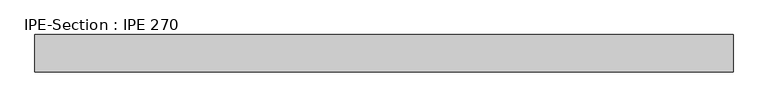
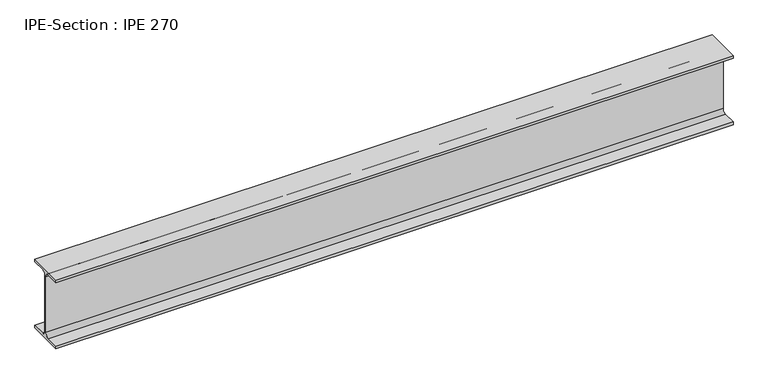
"""IFC4 building model written with IfcOpenShell, lengths in millimetres: beam geometry, IPE-Section : IPE 270."""

from ifc_helpers import new_model, si_unit, point, frame, frame_2d, origin, place, context, project, spatial, polyline, circle_curve, trimmed, segment, composite_curve, outline, extrude, source, transform, mapped, element, save


def ipe_section_ipe_270_5335c80f(model_context):
    return source(origin(), model_context, "Body", "SweptSolid", [
        extrude(outline(composite_curve([segment(polyline([(67.5, -124.8), (67.5, -135.0), (-67.5, -135.0), (-67.5, -124.8), (-18.3, -124.8)]), True, "CONTINUOUS"), segment(trimmed(circle_curve(frame_2d((-18.3, -109.8)), 15.0), [point((-18.3, -124.8))], [point((-3.3, -109.8))], True, "CARTESIAN"), True, "CONTINUOUS"), segment(polyline([(-3.3, -109.8), (-3.3, 109.8)]), True, "CONTINUOUS"), segment(trimmed(circle_curve(frame_2d((-18.3, 109.8)), 15.0), [point((-3.3, 109.8))], [point((-18.3, 124.8))], True, "CARTESIAN"), True, "CONTINUOUS"), segment(polyline([(-18.3, 124.8), (-67.5, 124.8), (-67.5, 135.0), (67.5, 135.0), (67.5, 124.8), (18.3, 124.8)]), True, "CONTINUOUS"), segment(trimmed(circle_curve(frame_2d((18.3, 109.8)), 15.0), [point((18.3, 124.8))], [point((3.3, 109.8))], True, "CARTESIAN"), True, "CONTINUOUS"), segment(polyline([(3.3, 109.8), (3.3, -109.8)]), True, "CONTINUOUS"), segment(trimmed(circle_curve(frame_2d((18.3, -109.8)), 15.0), [point((3.3, -109.8))], [point((18.3, -124.8))], True, "CARTESIAN"), True, "CONTINUOUS"), segment(polyline([(18.3, -124.8), (67.5, -124.8)]), True, "CONTINUOUS")], self_intersect=False)), frame((-1260.5898081, 0.0, 0.0), z_axis=(1.0, 0.0, 0.0), x_axis=(0.0, 1.0, 0.0)), (0.0, 0.0, 1.0), 2513.6426803),
    ])


if __name__ == "__main__":
    model = new_model("IFC4")
    model_context = context("Model", 3, world=origin())
    ifc_project = project(units=[si_unit("LENGTHUNIT", "METRE", prefix="MILLI")], contexts=[model_context])
    site = spatial("IfcSite", under=ifc_project)
    building = spatial("IfcBuilding", under=site)
    placement = place(None, origin())
    ipe_section_ipe_270_shape = ipe_section_ipe_270_5335c80f(model_context)
    element("IfcBeam", 1, ObjectType="IPE-Section : IPE 270", at=placement, inside=building, context=model_context, shape_type="MappedRepresentation", body=[
        mapped(ipe_section_ipe_270_shape, transform((0.0, 0.0, 0.0), x_axis=(1.0, 0.0, 0.0), y_axis=(0.0, 1.0, 0.0), z_axis=(0.0, 0.0, 1.0))),
    ])
    save(model, "model.ifc")
